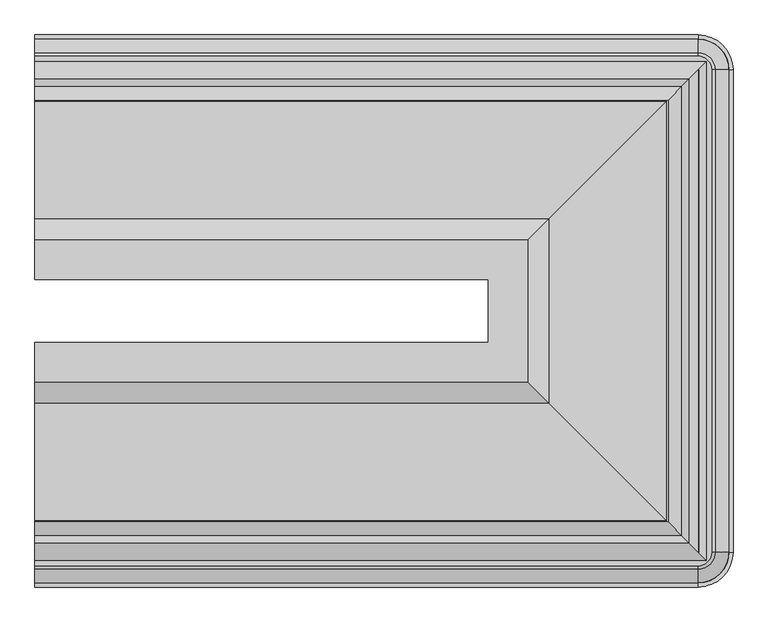
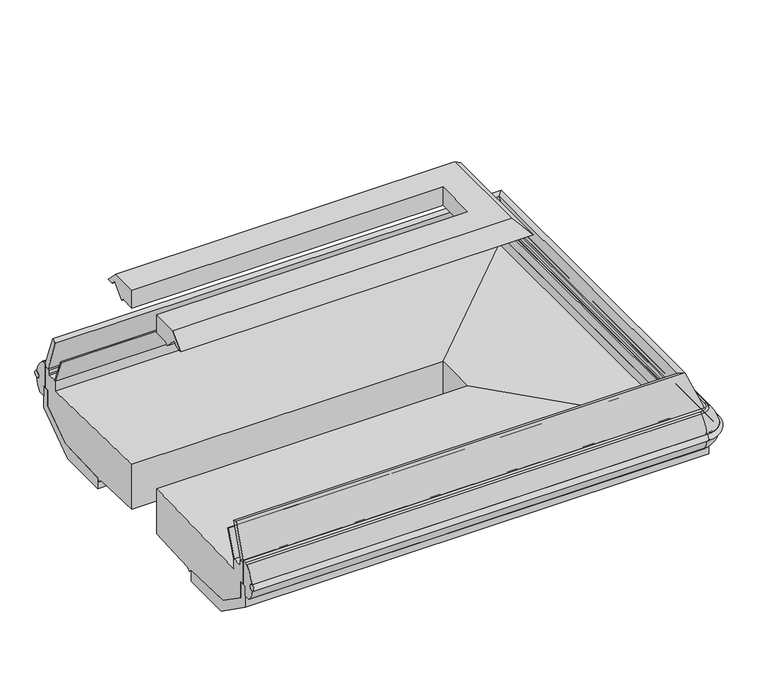
"""IFC4 building model written with IfcOpenShell, lengths in millimetres: proxy geometry."""

from ifc_helpers import new_model, si_unit, point, frame, origin, place, context, project, spatial, polyline, circle_curve, ellipse_curve, trimmed, faceted_brep, source, transform, mapped, element, save
from ifc_brep_helpers import plane_surface, cylinder_surface, revolved_surface, advanced_brep


def mechanical_equipment_02b35f1a(model_context):
    return source(origin(), model_context, "Body", "SolidModel", [
        faceted_brep([(0.0, -2277.0732774, 664.6065482), (0.0, -2211.345982, 845.190808), (0.0, -2185.9860274, 835.9605394), (0.0, -2253.2454931, 651.1666761), (0.0, -2277.0732774, 651.1666761), (0.0, -446.5909772, 664.6065482), (0.0, -446.5909772, 651.1666761), (0.0, -470.4187615, 651.1666761), (0.0, -537.6782272, 835.9605394), (0.0, -512.3182726, 845.190808), (2395.7388547, -2211.345982, 845.190808), (2461.4661501, -2277.0732774, 664.6065482), (2461.4661501, -446.5909772, 664.6065482), (2395.7388547, -512.3182726, 845.190808), (2370.3789001, -2185.9860274, 835.9605394), (2370.3789001, -537.6782272, 835.9605394), (2437.6383658, -2253.2454931, 651.1666761), (2437.6383658, -470.4187615, 651.1666761), (2461.4661501, -2277.0732774, 651.1666761), (2461.4661501, -446.5909772, 651.1666761)], [[[0, 1, 2, 3, 4]], [[5, 6, 7, 8, 9]], [[10, 11, 12, 13]], [[14, 10, 13, 15]], [[16, 14, 15, 17]], [[11, 18, 19, 12]], [[13, 12, 5, 9]], [[15, 13, 9, 8]], [[17, 15, 8, 7]], [[12, 19, 6, 5]], [[1, 0, 11, 10]], [[2, 1, 10, 14]], [[3, 2, 14, 16]], [[4, 3, 16, 17, 7, 6, 19, 18]], [[0, 4, 18, 11]]]),
        advanced_brep(
        [(0.0, -2131.5869703, 759.9375159), (0.0, -2187.9511755, 620.9098146), (0.0, -2193.0901823, 620.9098146), (0.0, -2136.0005481, 761.7268557), (0.0, -592.0772843, 759.9375159), (0.0, -587.6637065, 761.7268557), (0.0, -530.5740723, 620.9098146), (0.0, -535.7130791, 620.9098146), (2372.3440482, -2187.9511755, 620.9098146), (2315.979843, -2131.5869703, 759.9375159), (2315.979843, -592.0772843, 759.9375159), (2372.3440482, -535.7130791, 620.9098146), (2320.3934208, -2136.0005481, 761.7268557), (2377.483055, -2193.0901823, 620.9098146), (2377.483055, -530.5740723, 620.9098146), (2320.3934208, -587.6637065, 761.7268557)],
        [
            (0, 1),
            (1, 2),
            (2, 3),
            (3, 0, circle_curve(frame((0.0, -2133.7937592, 760.8321858), z_axis=(-1.0, 0.0, 0.0), x_axis=(0.0, 1.0, 0.0)), 2.38125)),
            (4, 5, circle_curve(frame((0.0, -589.8704954, 760.8321858), z_axis=(-1.0, 0.0, 0.0), x_axis=(0.0, -1.0, 0.0)), 2.38125)),
            (5, 6),
            (6, 7),
            (7, 4),
            (8, 9),
            (9, 10),
            (10, 11),
            (11, 8),
            (12, 13),
            (13, 14),
            (14, 15),
            (15, 12),
            (9, 12, ellipse_curve(frame((2318.1866319, -2133.7937592, 760.8321858), z_axis=(0.7071067811865475, 0.7071067811865475, 0.0), x_axis=(0.7071067811865474, -0.7071067811865476, 0.0)), 3.367596, 2.38125)),
            (15, 10, ellipse_curve(frame((2318.1866319, -589.8704954, 760.8321858), z_axis=(0.7071067811865475, -0.7071067811865475, 0.0), x_axis=(-0.7071067811865474, -0.7071067811865476, 0.0)), 3.367596, 2.38125)),
            (10, 4),
            (7, 11),
            (14, 6),
            (5, 15),
            (0, 9),
            (8, 1),
            (13, 2),
            (12, 3),
        ],
        [
            plane_surface(frame((0.0, -2374.6571273, 0.0), z_axis=(-1.0, 0.0, 0.0), x_axis=(0.0, 0.0, 1.0))),
            plane_surface(frame((0.0, -349.0071273, 0.0), z_axis=(-1.0, 0.0, 0.0), x_axis=(0.0, 0.0, 1.0))),
            plane_surface(frame((2315.979843, -2131.5869703, 759.9375159), z_axis=(-0.9267354998634747, 0.0, -0.3757144038931643), x_axis=(0.0, 1.0, 0.0))),
            plane_surface(frame((2377.483055, -2193.0901823, 620.9098146), z_axis=(0.9267354998635949, 0.0, 0.3757144038928678), x_axis=(0.0, 1.0, 0.0))),
            cylinder_surface(frame((2318.1866319, -2374.6571273, 760.8321858), z_axis=(0.0, -1.0, 0.0), x_axis=(-1.0, 0.0, 0.0)), 2.38125),
            plane_surface(frame((2315.979843, -592.0772843, 759.9375159), z_axis=(0.0, -0.9267354998634747, -0.3757144038931643), x_axis=(-1.0, 0.0, 0.0))),
            plane_surface(frame((2377.483055, -530.5740723, 620.9098146), z_axis=(0.0, 0.9267354998635949, 0.3757144038928678), x_axis=(-1.0, 0.0, 0.0))),
            cylinder_surface(frame((2559.05, -589.8704954, 760.8321858), z_axis=(1.0, 0.0, 0.0), x_axis=(0.0, -1.0, 0.0)), 2.38125),
            plane_surface(frame((0.0, -2131.5869703, 759.9375159), z_axis=(0.0, 0.9267354998634747, -0.3757144038931643), x_axis=(1.0, 0.0, 0.0))),
            plane_surface(frame((0.0, -2187.9511755, 620.9098146), z_axis=(0.0, 0.0, -1.0), x_axis=(1.0, 0.0, 0.0))),
            plane_surface(frame((0.0, -2193.0901823, 620.9098146), z_axis=(0.0, -0.9267354998635949, 0.3757144038928678), x_axis=(1.0, 0.0, 0.0))),
            cylinder_surface(frame((0.0, -2133.7937592, 760.8321858), z_axis=(-1.0, 0.0, 0.0), x_axis=(0.0, 1.0, 0.0)), 2.38125),
        ],
        [
            (0, [[1, 2, 3, 4]]),
            (1, [[5, 6, 7, 8]]),
            (2, [[9, 10, 11, 12]]),
            (3, [[13, 14, 15, 16]]),
            (4, [[17, -16, 18, -10]]),
            (5, [[-11, 19, -8, 20]]),
            (6, [[-15, 21, -6, 22]]),
            (7, [[-18, -22, -5, -19]]),
            (8, [[-1, 23, -9, 24]]),
            (9, [[-2, -24, -12, -20, -7, -21, -14, 25]]),
            (10, [[-3, -25, -13, 26]]),
            (11, [[-4, -26, -17, -23]]),
        ],
    ),
        faceted_brep([(0.0, -1476.8941211, 1464.3028067), (0.0, -1557.7189821, 1464.3028067), (0.0, -1572.3443893, 1450.2262468), (0.0, -1636.0576803, 1516.2032911), (0.0, -1659.0570842, 1493.2038873), (0.0, -1698.2672655, 1493.2038873), (0.0, -1624.6086527, 1566.8625), (0.0, -1476.8941211, 1566.8625), (0.0, -1246.7701335, 1464.3028067), (0.0, -1246.7701335, 1566.8625), (0.0, -1099.0556019, 1566.8625), (0.0, -1025.3969891, 1493.2038873), (0.0, -1064.6071704, 1493.2038873), (0.0, -1087.6065743, 1516.2032911), (0.0, -1151.3198653, 1450.2262468), (0.0, -1165.9452725, 1464.3028067), (1756.737262, -1572.3443893, 1450.2262468), (1742.1118548, -1557.7189821, 1464.3028067), (1742.1118548, -1165.9452725, 1464.3028067), (1756.737262, -1151.3198653, 1450.2262468), (1820.450553, -1636.0576803, 1516.2032911), (1820.450553, -1087.6065743, 1516.2032911), (1843.4499569, -1659.0570842, 1493.2038873), (1843.4499569, -1064.6071704, 1493.2038873), (1809.0015254, -1624.6086527, 1566.8625), (1882.6601382, -1698.2672655, 1493.2038873), (1882.6601382, -1025.3969891, 1493.2038873), (1809.0015254, -1099.0556019, 1566.8625), (1661.2869938, -1476.8941211, 1464.3028067), (1661.2869938, -1476.8941211, 1566.8625), (1661.2869938, -1246.7701335, 1566.8625), (1661.2869938, -1246.7701335, 1464.3028067)], [[[0, 1, 2, 3, 4, 5, 6, 7]], [[8, 9, 10, 11, 12, 13, 14, 15]], [[16, 17, 18, 19]], [[20, 16, 19, 21]], [[22, 20, 21, 23]], [[24, 25, 26, 27]], [[28, 29, 30, 31]], [[19, 18, 15, 14]], [[21, 19, 14, 13]], [[23, 21, 13, 12]], [[27, 26, 11, 10]], [[31, 30, 9, 8]], [[1, 0, 28, 31, 8, 15, 18, 17]], [[2, 1, 17, 16]], [[3, 2, 16, 20]], [[4, 3, 20, 22]], [[5, 4, 22, 23, 12, 11, 26, 25]], [[6, 5, 25, 24]], [[7, 6, 24, 27, 10, 9, 30, 29]], [[0, 7, 29, 28]]]),
        advanced_brep(
        [(0.0, -2187.9511755, 564.6206228), (0.0, -1476.8941211, 583.240307), (0.0, -1476.8941211, 330.5006237), (0.0, -1763.1110468, 315.9996591), (0.0, -1778.1929526, 301.7115379), (0.0, -1793.2737198, 315.9985806), (0.0, -2091.4445063, 326.7908623), (0.0, -2254.2926353, 440.8183498), (0.0, -2254.2926353, 529.6852408), (0.0, -2277.0732774, 529.6852408), (0.0, -2277.0732774, 651.1666761), (0.0, -2251.8223149, 651.1666761), (0.0, -2247.771404, 646.4576372), (0.0, -2247.6800766, 625.4643319), (0.0, -2240.6602639, 622.6991544), (0.0, -2187.9511755, 622.6991544), (0.0, -535.7130791, 564.6206228), (0.0, -535.7130791, 622.6991544), (0.0, -483.0039907, 622.6991544), (0.0, -475.984178, 625.4643319), (0.0, -475.8928506, 646.4576372), (0.0, -471.8419397, 651.1666761), (0.0, -446.5909772, 651.1666761), (0.0, -446.5909772, 529.6852408), (0.0, -469.3716193, 529.6852408), (0.0, -469.3716193, 440.8183498), (0.0, -632.2197483, 326.7908623), (0.0, -930.3905348, 315.9985806), (0.0, -945.471302, 301.7115379), (0.0, -960.5532078, 315.9996591), (0.0, -1246.7701335, 330.5006237), (0.0, -1246.7701335, 583.240307), (1661.2869938, -1476.8941211, 583.240307), (2372.3440482, -2187.9511755, 564.6206228), (2372.3440482, -535.7130791, 564.6206228), (1661.2869938, -1246.7701335, 583.240307), (1661.2869938, -1476.8941211, 330.5006237), (1661.2869938, -1246.7701335, 330.5006237), (1947.5039195, -1763.1110468, 315.9996591), (1947.5039195, -960.5532078, 315.9996591), (1962.5858253, -1778.1929526, 301.7115379), (1962.5858253, -945.471302, 301.7115379), (1977.6665925, -1793.2737198, 315.9985806), (1977.6665925, -930.3905348, 315.9985806), (2275.837379, -2091.4445063, 326.7908623), (2275.837379, -632.2197483, 326.7908623), (2438.685508, -2254.2926353, 440.8183498), (2438.685508, -469.3716193, 440.8183498), (2438.685508, -2254.2926353, 529.6852408), (2438.685508, -469.3716193, 529.6852408), (2461.4661501, -2277.0732774, 651.1666761), (2461.4661501, -2277.0732774, 529.6852408), (2461.4661501, -446.5909772, 529.6852408), (2461.4661501, -446.5909772, 651.1666761), (2432.1642767, -2247.771404, 646.4576372), (2436.2151876, -2251.8223149, 651.1666761), (2436.2151876, -471.8419397, 651.1666761), (2432.1642767, -475.8928506, 646.4576372), (2432.0729493, -2247.6800766, 625.4643319), (2432.0729493, -475.984178, 625.4643319), (2425.0531366, -2240.6602639, 622.6991544), (2425.0531366, -483.0039907, 622.6991544), (2372.3440482, -2187.9511755, 622.6991544), (2372.3440482, -535.7130791, 622.6991544)],
        [
            (0, 1),
            (1, 2),
            (2, 3),
            (3, 4),
            (4, 5),
            (5, 6),
            (6, 7),
            (7, 8),
            (8, 9),
            (9, 10),
            (10, 11),
            (11, 12, circle_curve(frame((0.0, -2252.533904, 646.4576372), z_axis=(-1.0, 0.0, 0.0), x_axis=(0.0, 1.0, 0.0)), 4.7625)),
            (12, 13),
            (13, 14),
            (14, 15),
            (15, 0),
            (16, 17),
            (17, 18),
            (18, 19),
            (19, 20),
            (20, 21, circle_curve(frame((0.0, -471.1303506, 646.4576372), z_axis=(-1.0, 0.0, 0.0), x_axis=(0.0, -1.0, 0.0)), 4.7625)),
            (21, 22),
            (22, 23),
            (23, 24),
            (24, 25),
            (25, 26),
            (26, 27),
            (27, 28),
            (28, 29),
            (29, 30),
            (30, 31),
            (31, 16),
            (32, 33),
            (33, 34),
            (34, 35),
            (35, 32),
            (36, 32),
            (35, 37),
            (37, 36),
            (38, 36),
            (37, 39),
            (39, 38),
            (40, 38),
            (39, 41),
            (41, 40),
            (42, 40),
            (41, 43),
            (43, 42),
            (44, 42),
            (43, 45),
            (45, 44),
            (46, 44),
            (45, 47),
            (47, 46),
            (48, 46),
            (47, 49),
            (49, 48),
            (50, 51),
            (51, 52),
            (52, 53),
            (53, 50),
            (54, 55, ellipse_curve(frame((2436.9267767, -2252.533904, 646.4576372), z_axis=(0.7071067811865475, 0.7071067811865475, 0.0), x_axis=(0.7071067811865474, -0.7071067811865476, 0.0)), 6.7351921, 4.7625)),
            (55, 56),
            (56, 57, ellipse_curve(frame((2436.9267767, -471.1303506, 646.4576372), z_axis=(0.7071067811865475, -0.7071067811865475, 0.0), x_axis=(-0.7071067811865474, -0.7071067811865476, 0.0)), 6.7351921, 4.7625)),
            (57, 54),
            (58, 54),
            (57, 59),
            (59, 58),
            (60, 58),
            (59, 61),
            (61, 60),
            (33, 62),
            (62, 63),
            (63, 34),
            (34, 16),
            (31, 35),
            (30, 37),
            (29, 39),
            (28, 41),
            (27, 43),
            (26, 45),
            (25, 47),
            (24, 49),
            (52, 23),
            (22, 53),
            (56, 21),
            (20, 57),
            (19, 59),
            (18, 61),
            (63, 17),
            (0, 33),
            (32, 1),
            (36, 2),
            (38, 3),
            (40, 4),
            (42, 5),
            (44, 6),
            (46, 7),
            (48, 8),
            (51, 9),
            (50, 10),
            (55, 11),
            (54, 12),
            (58, 13),
            (60, 14),
            (62, 15),
        ],
        [
            plane_surface(frame((0.0, -2374.6571273, 0.0), z_axis=(-1.0, 0.0, 0.0), x_axis=(0.0, 0.0, 1.0))),
            plane_surface(frame((0.0, -349.0071273, 0.0), z_axis=(-1.0, 0.0, 0.0), x_axis=(0.0, 0.0, 1.0))),
            plane_surface(frame((2372.3440482, -2187.9511755, 564.6206228), z_axis=(0.0261769483079519, 0.0, 0.9996573249755553), x_axis=(0.0, 1.0, 0.0))),
            plane_surface(frame((1661.2869938, -1476.8941211, 583.240307), z_axis=(-1.0, 0.0, 0.0), x_axis=(0.0, 1.0, 0.0))),
            plane_surface(frame((1661.2869938, -1476.8941211, 330.5006237), z_axis=(-0.05059934604185503, 0.0, -0.9987190326513943), x_axis=(0.0, 1.0, 0.0))),
            plane_surface(frame((1947.5039195, -1763.1110468, 315.9996591), z_axis=(-0.6877446479107929, 0.0, -0.7259526839058175), x_axis=(0.0, 1.0, 0.0))),
            plane_surface(frame((1962.5858253, -1778.1929526, 301.7115379), z_axis=(0.687744647910848, 0.0, -0.7259526839057651), x_axis=(0.0, 1.0, 0.0))),
            plane_surface(frame((1977.6665925, -1793.2737198, 315.9985806), z_axis=(0.036171280996440035, 0.0, -0.9993456050991952), x_axis=(0.0, 1.0, 0.0))),
            plane_surface(frame((2275.837379, -2091.4445063, 326.7908623), z_axis=(0.5735764363510384, 0.0, -0.8191520442889972), x_axis=(0.0, 1.0, 0.0))),
            plane_surface(frame((2438.685508, -2254.2926353, 440.8183498), z_axis=(1.0, 0.0, 0.0), x_axis=(0.0, 1.0, 0.0))),
            plane_surface(frame((2461.4661501, -2277.0732774, 529.6852408), z_axis=(1.0, 0.0, 0.0), x_axis=(0.0, 1.0, 0.0))),
            cylinder_surface(frame((2436.9267767, -2374.6571273, 646.4576372), z_axis=(0.0, -1.0, 0.0), x_axis=(-1.0, 0.0, 0.0)), 4.7625),
            plane_surface(frame((2432.1642767, -2247.771404, 646.4576372), z_axis=(-0.9999905375281688, 0.0, 0.004350270580584213), x_axis=(0.0, 1.0, 0.0))),
            plane_surface(frame((2432.0729493, -2247.6800766, 625.4643319), z_axis=(-0.3665011927547342, 0.0, 0.9304175813629906), x_axis=(0.0, 1.0, 0.0))),
            plane_surface(frame((2372.3440482, -2187.9511755, 622.6991544), z_axis=(-1.0, 0.0, 0.0), x_axis=(0.0, 1.0, 0.0))),
            plane_surface(frame((2372.3440482, -535.7130791, 564.6206228), z_axis=(0.0, 0.0261769483079519, 0.9996573249755553), x_axis=(-1.0, 0.0, 0.0))),
            plane_surface(frame((1661.2869938, -1246.7701335, 583.240307), z_axis=(0.0, -1.0, 0.0), x_axis=(-1.0, 0.0, 0.0))),
            plane_surface(frame((1661.2869938, -1246.7701335, 330.5006237), z_axis=(0.0, -0.05059934604185503, -0.9987190326513943), x_axis=(-1.0, 0.0, 0.0))),
            plane_surface(frame((1947.5039195, -960.5532078, 315.9996591), z_axis=(0.0, -0.6877446479107929, -0.7259526839058175), x_axis=(-1.0, 0.0, 0.0))),
            plane_surface(frame((1962.5858253, -945.471302, 301.7115379), z_axis=(0.0, 0.687744647910848, -0.7259526839057651), x_axis=(-1.0, 0.0, 0.0))),
            plane_surface(frame((1977.6665925, -930.3905348, 315.9985806), z_axis=(0.0, 0.036171280996440035, -0.9993456050991952), x_axis=(-1.0, 0.0, 0.0))),
            plane_surface(frame((2275.837379, -632.2197483, 326.7908623), z_axis=(0.0, 0.5735764363510384, -0.8191520442889972), x_axis=(-1.0, 0.0, 0.0))),
            plane_surface(frame((2438.685508, -469.3716193, 440.8183498), z_axis=(0.0, 1.0, 0.0), x_axis=(-1.0, 0.0, 0.0))),
            plane_surface(frame((2461.4661501, -446.5909772, 529.6852408), z_axis=(0.0, 1.0, 0.0), x_axis=(-1.0, 0.0, 0.0))),
            cylinder_surface(frame((2559.05, -471.1303506, 646.4576372), z_axis=(1.0, 0.0, 0.0), x_axis=(0.0, -1.0, 0.0)), 4.7625),
            plane_surface(frame((2432.1642767, -475.8928506, 646.4576372), z_axis=(0.0, -0.9999905375281688, 0.004350270580584213), x_axis=(-1.0, 0.0, 0.0))),
            plane_surface(frame((2432.0729493, -475.984178, 625.4643319), z_axis=(0.0, -0.3665011927547342, 0.9304175813629906), x_axis=(-1.0, 0.0, 0.0))),
            plane_surface(frame((2372.3440482, -535.7130791, 622.6991544), z_axis=(0.0, -1.0, 0.0), x_axis=(-1.0, 0.0, 0.0))),
            plane_surface(frame((0.0, -2187.9511755, 564.6206228), z_axis=(0.0, -0.0261769483079519, 0.9996573249755553), x_axis=(1.0, 0.0, 0.0))),
            plane_surface(frame((0.0, -1476.8941211, 583.240307), z_axis=(0.0, 1.0, 0.0), x_axis=(1.0, 0.0, 0.0))),
            plane_surface(frame((0.0, -1476.8941211, 330.5006237), z_axis=(0.0, 0.05059934604185503, -0.9987190326513943), x_axis=(1.0, 0.0, 0.0))),
            plane_surface(frame((0.0, -1763.1110468, 315.9996591), z_axis=(0.0, 0.6877446479107929, -0.7259526839058175), x_axis=(1.0, 0.0, 0.0))),
            plane_surface(frame((0.0, -1778.1929526, 301.7115379), z_axis=(0.0, -0.687744647910848, -0.7259526839057651), x_axis=(1.0, 0.0, 0.0))),
            plane_surface(frame((0.0, -1793.2737198, 315.9985806), z_axis=(0.0, -0.036171280996440035, -0.9993456050991952), x_axis=(1.0, 0.0, 0.0))),
            plane_surface(frame((0.0, -2091.4445063, 326.7908623), z_axis=(0.0, -0.5735764363510384, -0.8191520442889972), x_axis=(1.0, 0.0, 0.0))),
            plane_surface(frame((0.0, -2254.2926353, 440.8183498), z_axis=(0.0, -1.0, 0.0), x_axis=(1.0, 0.0, 0.0))),
            plane_surface(frame((0.0, -2254.2926353, 529.6852408), z_axis=(0.0, 0.0, -1.0), x_axis=(1.0, 0.0, 0.0))),
            plane_surface(frame((0.0, -2277.0732774, 529.6852408), z_axis=(0.0, -1.0, 0.0), x_axis=(1.0, 0.0, 0.0))),
            plane_surface(frame((0.0, -2277.0732774, 651.1666761), z_axis=(0.0, 0.0, 1.0), x_axis=(1.0, 0.0, 0.0))),
            cylinder_surface(frame((0.0, -2252.533904, 646.4576372), z_axis=(-1.0, 0.0, 0.0), x_axis=(0.0, 1.0, 0.0)), 4.7625),
            plane_surface(frame((0.0, -2247.771404, 646.4576372), z_axis=(0.0, 0.9999905375281688, 0.004350270580584213), x_axis=(1.0, 0.0, 0.0))),
            plane_surface(frame((0.0, -2247.6800766, 625.4643319), z_axis=(0.0, 0.3665011927547342, 0.9304175813629906), x_axis=(1.0, 0.0, 0.0))),
            plane_surface(frame((0.0, -2240.6602639, 622.6991544), z_axis=(0.0, 0.0, 1.0), x_axis=(1.0, 0.0, 0.0))),
            plane_surface(frame((0.0, -2187.9511755, 622.6991544), z_axis=(0.0, 1.0, 0.0), x_axis=(1.0, 0.0, 0.0))),
        ],
        [
            (0, [[1, 2, 3, 4, 5, 6, 7, 8, 9, 10, 11, 12, 13, 14, 15, 16]]),
            (1, [[17, 18, 19, 20, 21, 22, 23, 24, 25, 26, 27, 28, 29, 30, 31, 32]]),
            (2, [[33, 34, 35, 36]]),
            (3, [[37, -36, 38, 39]]),
            (4, [[40, -39, 41, 42]]),
            (5, [[43, -42, 44, 45]]),
            (6, [[46, -45, 47, 48]]),
            (7, [[49, -48, 50, 51]]),
            (8, [[52, -51, 53, 54]]),
            (9, [[55, -54, 56, 57]]),
            (10, [[58, 59, 60, 61]]),
            (11, [[62, 63, 64, 65]]),
            (12, [[66, -65, 67, 68]]),
            (13, [[69, -68, 70, 71]]),
            (14, [[72, 73, 74, -34]]),
            (15, [[-35, 75, -32, 76]]),
            (16, [[-38, -76, -31, 77]]),
            (17, [[-41, -77, -30, 78]]),
            (18, [[-44, -78, -29, 79]]),
            (19, [[-47, -79, -28, 80]]),
            (20, [[-50, -80, -27, 81]]),
            (21, [[-53, -81, -26, 82]]),
            (22, [[-56, -82, -25, 83]]),
            (23, [[-60, 84, -23, 85]]),
            (24, [[-64, 86, -21, 87]]),
            (25, [[-67, -87, -20, 88]]),
            (26, [[-70, -88, -19, 89]]),
            (27, [[-74, 90, -17, -75]]),
            (28, [[-1, 91, -33, 92]]),
            (29, [[-2, -92, -37, 93]]),
            (30, [[-3, -93, -40, 94]]),
            (31, [[-4, -94, -43, 95]]),
            (32, [[-5, -95, -46, 96]]),
            (33, [[-6, -96, -49, 97]]),
            (34, [[-7, -97, -52, 98]]),
            (35, [[-8, -98, -55, 99]]),
            (36, [[-9, -99, -57, -83, -24, -84, -59, 100]]),
            (37, [[-10, -100, -58, 101]]),
            (38, [[-11, -101, -61, -85, -22, -86, -63, 102]]),
            (39, [[-12, -102, -62, 103]]),
            (40, [[-13, -103, -66, 104]]),
            (41, [[-14, -104, -69, 105]]),
            (42, [[-15, -105, -71, -89, -18, -90, -73, 106]]),
            (43, [[-16, -106, -72, -91]]),
        ],
    ),
        advanced_brep(
        [(0.0, -363.9201502, 541.7869334), (0.0, -364.5762737, 576.4502877), (0.0, -2359.7441044, 541.7869334), (0.0, -2359.0879809, 576.4502877), (2430.5127227, -363.9201502, 541.7869334), (2430.5127227, -364.5762737, 576.4502877), (2543.4808536, -477.5444046, 576.4502877), (2544.1369771, -477.5444046, 541.7869334), (2544.1369771, -2246.11985, 541.7869334), (2543.4808536, -2246.11985, 576.4502877), (2430.5127227, -2359.0879809, 576.4502877), (2430.5127227, -2359.7441044, 541.7869334)],
        [
            (0, 1, circle_curve(frame((0.0, -366.6103656, 559.0738987), z_axis=(-1.0, 0.0, 0.0), x_axis=(0.0, 1.0, 0.0)), 17.49504)),
            (1, 0, circle_curve(frame((0.0, -366.6103656, 559.0738987), z_axis=(-1.0, 0.0, 0.0), x_axis=(0.0, 1.0, 0.0)), 17.49504)),
            (2, 3, circle_curve(frame((0.0, -2357.053889, 559.0738987), z_axis=(-1.0, 0.0, 0.0), x_axis=(0.0, -1.0, 0.0)), 17.49504)),
            (3, 2, circle_curve(frame((0.0, -2357.053889, 559.0738987), z_axis=(-1.0, 0.0, 0.0), x_axis=(0.0, -1.0, 0.0)), 17.49504)),
            (0, 4),
            (4, 5, circle_curve(frame((2430.5127227, -366.6103656, 559.0738987), z_axis=(-1.0, 0.0, 0.0), x_axis=(0.0, 1.0, 0.0)), 17.49504)),
            (5, 1),
            (5, 4, circle_curve(frame((2430.5127227, -366.6103656, 559.0738987), z_axis=(-1.0, 0.0, 0.0), x_axis=(0.0, 1.0, 0.0)), 17.49504)),
            (6, 5, circle_curve(frame((2430.5127227, -477.5444046, 576.4502877), z_axis=(0.0, 0.0, 1.0), x_axis=(0.0, 1.0, 0.0)), 112.9681309)),
            (4, 7, circle_curve(frame((2430.5127227, -477.5444046, 541.7869334), z_axis=(0.0, 0.0, -1.0), x_axis=(0.0, 1.0, 0.0)), 113.6242544)),
            (7, 6, circle_curve(frame((2541.4467617, -477.5444046, 559.0738987), z_axis=(0.0, 1.0, 0.0), x_axis=(1.0, 0.0, 0.0)), 17.49504)),
            (6, 7, circle_curve(frame((2541.4467617, -477.5444046, 559.0738987), z_axis=(0.0, 1.0, 0.0), x_axis=(1.0, 0.0, 0.0)), 17.49504)),
            (7, 8),
            (8, 9, circle_curve(frame((2541.4467617, -2246.11985, 559.0738987), z_axis=(0.0, 1.0, 0.0), x_axis=(1.0, 0.0, 0.0)), 17.49504)),
            (9, 6),
            (9, 8, circle_curve(frame((2541.4467617, -2246.11985, 559.0738987), z_axis=(0.0, 1.0, 0.0), x_axis=(1.0, 0.0, 0.0)), 17.49504)),
            (10, 9, circle_curve(frame((2430.5127227, -2246.11985, 576.4502877), z_axis=(0.0, 0.0, 1.0), x_axis=(1.0, 0.0, 0.0)), 112.9681309)),
            (8, 11, circle_curve(frame((2430.5127227, -2246.11985, 541.7869334), z_axis=(0.0, 0.0, -1.0), x_axis=(1.0, 0.0, 0.0)), 113.6242544)),
            (11, 10, circle_curve(frame((2430.5127227, -2357.053889, 559.0738987), z_axis=(1.0, 0.0, 0.0), x_axis=(0.0, -1.0, 0.0)), 17.49504)),
            (10, 11, circle_curve(frame((2430.5127227, -2357.053889, 559.0738987), z_axis=(1.0, 0.0, 0.0), x_axis=(0.0, -1.0, 0.0)), 17.49504)),
            (11, 2),
            (3, 10),
        ],
        [
            plane_surface(frame((0.0, -401.3444046, 0.0), z_axis=(-1.0, 0.0, 0.0), x_axis=(0.0, 0.0, 1.0))),
            plane_surface(frame((0.0, -2322.31985, 0.0), z_axis=(-1.0, 0.0, 0.0), x_axis=(0.0, 0.0, 1.0))),
            cylinder_surface(frame((0.0, -366.6103656, 559.0738987), z_axis=(-1.0, 0.0, 0.0), x_axis=(0.0, 1.0, 0.0)), 17.49504),
            revolved_surface(trimmed(ellipse_curve(frame((2430.5127227, -366.6103656, 559.0738987), z_axis=(-1.0, 0.0, 0.0), x_axis=(0.0, 1.0, 0.0)), 17.49504, 17.49504), [point((2430.5127227, -363.9201502, 541.7869334))], [point((2430.5127227, -364.5762737, 576.4502877))], True, "CARTESIAN"), (2430.5127227, -477.5444046, 0.0), (0.0, 0.0, -1.0)),
            revolved_surface(trimmed(ellipse_curve(frame((2430.5127227, -366.6103656, 559.0738987), z_axis=(-1.0, 0.0, 0.0), x_axis=(0.0, 1.0, 0.0)), 17.49504, 17.49504), [point((2430.5127227, -364.5762737, 576.4502877))], [point((2430.5127227, -363.9201502, 541.7869334))], True, "CARTESIAN"), (2430.5127227, -477.5444046, 0.0), (0.0, 0.0, -1.0)),
            cylinder_surface(frame((2541.4467617, -477.5444046, 559.0738987), z_axis=(0.0, 1.0, 0.0), x_axis=(1.0, 0.0, 0.0)), 17.49504),
            revolved_surface(trimmed(ellipse_curve(frame((2541.4467617, -2246.11985, 559.0738987), z_axis=(0.0, 1.0, 0.0), x_axis=(1.0, 0.0, 0.0)), 17.49504, 17.49504), [point((2544.1369771, -2246.11985, 541.7869334))], [point((2543.4808536, -2246.11985, 576.4502877))], True, "CARTESIAN"), (2430.5127227, -2246.11985, 0.0), (0.0, 0.0, -1.0)),
            revolved_surface(trimmed(ellipse_curve(frame((2541.4467617, -2246.11985, 559.0738987), z_axis=(0.0, 1.0, 0.0), x_axis=(1.0, 0.0, 0.0)), 17.49504, 17.49504), [point((2543.4808536, -2246.11985, 576.4502877))], [point((2544.1369771, -2246.11985, 541.7869334))], True, "CARTESIAN"), (2430.5127227, -2246.11985, 0.0), (0.0, 0.0, -1.0)),
            cylinder_surface(frame((2430.5127227, -2357.053889, 559.0738987), z_axis=(1.0, 0.0, 0.0), x_axis=(0.0, -1.0, 0.0)), 17.49504),
        ],
        [
            (0, [[1, 2]]),
            (1, [[3, 4]]),
            (2, [[-1, 5, 6, 7]]),
            (2, [[-2, -7, 8, -5]]),
            (3, [[9, -6, 10, 11]]),
            (4, [[-10, -8, -9, 12]]),
            (5, [[-11, 13, 14, 15]]),
            (5, [[-12, -15, 16, -13]]),
            (6, [[17, -14, 18, 19]]),
            (7, [[-18, -16, -17, 20]]),
            (8, [[-19, 21, -4, 22]]),
            (8, [[-20, -22, -3, -21]]),
        ],
    ),
        advanced_brep(
        [(0.0, -2308.2910007, 660.3792394), (0.0, -2297.5045779, 664.6065482), (0.0, -2277.0732774, 664.6065482), (0.0, -2277.0732774, 529.6852408), (0.0, -2292.6339353, 529.6852408), (0.0, -2292.6339353, 475.7067482), (0.0, -2324.809578, 475.7067482), (0.0, -2329.5709034, 477.8552864), (0.0, -2359.7441044, 541.7869334), (0.0, -2359.0879809, 576.4502877), (0.0, -415.3732539, 660.3792394), (0.0, -364.5762737, 576.4502877), (0.0, -363.9201502, 541.7869334), (0.0, -394.0933512, 477.8552864), (0.0, -398.8546766, 475.7067482), (0.0, -431.0303193, 475.7067482), (0.0, -431.0303193, 529.6852408), (0.0, -446.5909772, 529.6852408), (0.0, -446.5909772, 664.6065482), (0.0, -426.1596766, 664.6065482), (2481.8974506, -2246.11985, 664.6065482), (2430.5127227, -2297.5045779, 664.6065482), (2430.5127227, -2308.2910007, 660.3792394), (2492.6838734, -2246.11985, 660.3792394), (2461.4661501, -2246.11985, 529.6852408), (2430.5127227, -2277.0732774, 529.6852408), (2430.5127227, -2277.0732774, 664.6065482), (2461.4661501, -2246.11985, 664.6065482), (2477.026808, -2246.11985, 475.7067482), (2430.5127227, -2292.6339353, 475.7067482), (2430.5127227, -2292.6339353, 529.6852408), (2477.026808, -2246.11985, 529.6852408), (2513.9637761, -2246.11985, 477.8552864), (2430.5127227, -2329.5709034, 477.8552864), (2430.5127227, -2324.809578, 475.7067482), (2509.2024507, -2246.11985, 475.7067482), (2544.1369771, -2246.11985, 541.7869334), (2430.5127227, -2359.7441044, 541.7869334), (2543.4808536, -2246.11985, 576.4502877), (2430.5127227, -2359.0879809, 576.4502877), (2492.6838734, -477.5444046, 660.3792394), (2481.8974506, -477.5444046, 664.6065482), (2461.4661501, -477.5444046, 664.6065482), (2461.4661501, -477.5444046, 529.6852408), (2477.026808, -477.5444046, 529.6852408), (2477.026808, -477.5444046, 475.7067482), (2509.2024507, -477.5444046, 475.7067482), (2513.9637761, -477.5444046, 477.8552864), (2544.1369771, -477.5444046, 541.7869334), (2543.4808536, -477.5444046, 576.4502877), (2430.5127227, -426.1596766, 664.6065482), (2430.5127227, -415.3732539, 660.3792394), (2430.5127227, -446.5909772, 529.6852408), (2430.5127227, -446.5909772, 664.6065482), (2430.5127227, -431.0303193, 475.7067482), (2430.5127227, -431.0303193, 529.6852408), (2430.5127227, -394.0933512, 477.8552864), (2430.5127227, -398.8546766, 475.7067482), (2430.5127227, -363.9201502, 541.7869334), (2430.5127227, -364.5762737, 576.4502877)],
        [
            (0, 1, circle_curve(frame((0.0, -2297.5045779, 648.7315482), z_axis=(-1.0, 0.0, 0.0), x_axis=(0.0, 1.0, 0.0)), 15.875)),
            (1, 2),
            (2, 3),
            (3, 4),
            (4, 5),
            (5, 6),
            (6, 7, circle_curve(frame((0.0, -2324.809578, 482.0567481), z_axis=(-1.0, 0.0, 0.0), x_axis=(0.0, 1.0, 0.0)), 6.35)),
            (7, 8, circle_curve(frame((0.0, -2234.3443955, 561.8845207), z_axis=(-1.0, 0.0, 0.0), x_axis=(0.0, 1.0, 0.0)), 127.0)),
            (8, 9, circle_curve(frame((0.0, -2357.053889, 559.0738987), z_axis=(1.0, 0.0, 0.0), x_axis=(0.0, 1.0, 0.0)), 17.49504)),
            (9, 0, circle_curve(frame((0.0, -2187.4830663, 529.9250981), z_axis=(-1.0, 0.0, 0.0), x_axis=(0.0, 1.0, 0.0)), 177.7999999)),
            (10, 11, circle_curve(frame((0.0, -536.1811883, 529.9250981), z_axis=(-1.0, 0.0, 0.0), x_axis=(0.0, -1.0, 0.0)), 177.7999999)),
            (11, 12, circle_curve(frame((0.0, -366.6103656, 559.0738987), z_axis=(1.0, 0.0, 0.0), x_axis=(0.0, -1.0, 0.0)), 17.49504)),
            (12, 13, circle_curve(frame((0.0, -489.3198591, 561.8845207), z_axis=(-1.0, 0.0, 0.0), x_axis=(0.0, -1.0, 0.0)), 127.0)),
            (13, 14, circle_curve(frame((0.0, -398.8546766, 482.0567481), z_axis=(-1.0, 0.0, 0.0), x_axis=(0.0, -1.0, 0.0)), 6.35)),
            (14, 15),
            (15, 16),
            (16, 17),
            (17, 18),
            (18, 19),
            (19, 10, circle_curve(frame((0.0, -426.1596766, 648.7315482), z_axis=(-1.0, 0.0, 0.0), x_axis=(0.0, -1.0, 0.0)), 15.875)),
            (20, 21, circle_curve(frame((2430.5127227, -2246.11985, 664.6065482), z_axis=(0.0, 0.0, -1.0), x_axis=(0.0, -1.0, 0.0)), 51.3847279)),
            (21, 22, circle_curve(frame((2430.5127227, -2297.5045779, 648.7315482), z_axis=(1.0, 0.0, 0.0), x_axis=(0.0, 1.0, 0.0)), 15.875)),
            (22, 23, circle_curve(frame((2430.5127227, -2246.11985, 660.3792394), z_axis=(0.0, 0.0, 1.0), x_axis=(0.0, -1.0, 0.0)), 62.1711507)),
            (23, 20, circle_curve(frame((2481.8974506, -2246.11985, 648.7315482), z_axis=(0.0, -1.0, 0.0), x_axis=(-1.0, 0.0, 0.0)), 15.875)),
            (24, 25, circle_curve(frame((2430.5127227, -2246.11985, 529.6852408), z_axis=(0.0, 0.0, -1.0), x_axis=(0.0, -1.0, 0.0)), 30.9534273)),
            (25, 26),
            (26, 27, circle_curve(frame((2430.5127227, -2246.11985, 664.6065482), z_axis=(0.0, 0.0, 1.0), x_axis=(0.0, -1.0, 0.0)), 30.9534273)),
            (27, 24),
            (28, 29, circle_curve(frame((2430.5127227, -2246.11985, 475.7067482), z_axis=(0.0, 0.0, -1.0), x_axis=(0.0, -1.0, 0.0)), 46.5140852)),
            (29, 30),
            (30, 31, circle_curve(frame((2430.5127227, -2246.11985, 529.6852408), z_axis=(0.0, 0.0, 1.0), x_axis=(0.0, -1.0, 0.0)), 46.5140852)),
            (31, 28),
            (32, 33, circle_curve(frame((2430.5127227, -2246.11985, 477.8552864), z_axis=(0.0, 0.0, -1.0), x_axis=(0.0, -1.0, 0.0)), 83.4510533)),
            (33, 34, circle_curve(frame((2430.5127227, -2324.809578, 482.0567481), z_axis=(1.0, 0.0, 0.0), x_axis=(0.0, 1.0, 0.0)), 6.35)),
            (34, 35, circle_curve(frame((2430.5127227, -2246.11985, 475.7067482), z_axis=(0.0, 0.0, 1.0), x_axis=(0.0, -1.0, 0.0)), 78.689728)),
            (35, 32, circle_curve(frame((2509.2024507, -2246.11985, 482.0567481), z_axis=(0.0, -1.0, 0.0), x_axis=(-1.0, 0.0, 0.0)), 6.35)),
            (36, 37, circle_curve(frame((2430.5127227, -2246.11985, 541.7869334), z_axis=(0.0, 0.0, -1.0), x_axis=(0.0, -1.0, 0.0)), 113.6242544)),
            (37, 33, circle_curve(frame((2430.5127227, -2234.3443955, 561.8845207), z_axis=(1.0, 0.0, 0.0), x_axis=(0.0, 1.0, 0.0)), 127.0)),
            (32, 36, circle_curve(frame((2418.7372682, -2246.11985, 561.8845207), z_axis=(0.0, -1.0, 0.0), x_axis=(-1.0, 0.0, 0.0)), 127.0)),
            (38, 39, circle_curve(frame((2430.5127227, -2246.11985, 576.4502877), z_axis=(0.0, 0.0, -1.0), x_axis=(0.0, -1.0, 0.0)), 112.9681309)),
            (39, 37, circle_curve(frame((2430.5127227, -2357.053889, 559.0738987), z_axis=(-1.0, 0.0, 0.0), x_axis=(0.0, 1.0, 0.0)), 17.49504)),
            (36, 38, circle_curve(frame((2541.4467617, -2246.11985, 559.0738987), z_axis=(0.0, 1.0, 0.0), x_axis=(-1.0, 0.0, 0.0)), 17.49504)),
            (22, 39, circle_curve(frame((2430.5127227, -2187.4830663, 529.9250981), z_axis=(1.0, 0.0, 0.0), x_axis=(0.0, 1.0, 0.0)), 177.7999999)),
            (38, 23, circle_curve(frame((2371.875939, -2246.11985, 529.9250981), z_axis=(0.0, -1.0, 0.0), x_axis=(-1.0, 0.0, 0.0)), 177.7999999)),
            (23, 40),
            (40, 41, circle_curve(frame((2481.8974506, -477.5444046, 648.7315482), z_axis=(0.0, -1.0, 0.0), x_axis=(-1.0, 0.0, 0.0)), 15.875)),
            (41, 20),
            (27, 42),
            (42, 43),
            (43, 24),
            (31, 44),
            (44, 45),
            (45, 28),
            (35, 46),
            (46, 47, circle_curve(frame((2509.2024507, -477.5444046, 482.0567481), z_axis=(0.0, -1.0, 0.0), x_axis=(-1.0, 0.0, 0.0)), 6.35)),
            (47, 32),
            (47, 48, circle_curve(frame((2418.7372682, -477.5444046, 561.8845207), z_axis=(0.0, -1.0, 0.0), x_axis=(-1.0, 0.0, 0.0)), 127.0)),
            (48, 36),
            (48, 49, circle_curve(frame((2541.4467617, -477.5444046, 559.0738987), z_axis=(0.0, 1.0, 0.0), x_axis=(-1.0, 0.0, 0.0)), 17.49504)),
            (49, 38),
            (49, 40, circle_curve(frame((2371.875939, -477.5444046, 529.9250981), z_axis=(0.0, -1.0, 0.0), x_axis=(-1.0, 0.0, 0.0)), 177.7999999)),
            (50, 41, circle_curve(frame((2430.5127227, -477.5444046, 664.6065482), z_axis=(0.0, 0.0, -1.0), x_axis=(1.0, 0.0, 0.0)), 51.3847279)),
            (40, 51, circle_curve(frame((2430.5127227, -477.5444046, 660.3792394), z_axis=(0.0, 0.0, 1.0), x_axis=(1.0, 0.0, 0.0)), 62.1711507)),
            (51, 50, circle_curve(frame((2430.5127227, -426.1596766, 648.7315482), z_axis=(1.0, 0.0, 0.0), x_axis=(0.0, -1.0, 0.0)), 15.875)),
            (52, 43, circle_curve(frame((2430.5127227, -477.5444046, 529.6852408), z_axis=(0.0, 0.0, -1.0), x_axis=(1.0, 0.0, 0.0)), 30.9534273)),
            (42, 53, circle_curve(frame((2430.5127227, -477.5444046, 664.6065482), z_axis=(0.0, 0.0, 1.0), x_axis=(1.0, 0.0, 0.0)), 30.9534273)),
            (53, 52),
            (54, 45, circle_curve(frame((2430.5127227, -477.5444046, 475.7067482), z_axis=(0.0, 0.0, -1.0), x_axis=(1.0, 0.0, 0.0)), 46.5140852)),
            (44, 55, circle_curve(frame((2430.5127227, -477.5444046, 529.6852408), z_axis=(0.0, 0.0, 1.0), x_axis=(1.0, 0.0, 0.0)), 46.5140852)),
            (55, 54),
            (56, 47, circle_curve(frame((2430.5127227, -477.5444046, 477.8552864), z_axis=(0.0, 0.0, -1.0), x_axis=(1.0, 0.0, 0.0)), 83.4510533)),
            (46, 57, circle_curve(frame((2430.5127227, -477.5444046, 475.7067482), z_axis=(0.0, 0.0, 1.0), x_axis=(1.0, 0.0, 0.0)), 78.689728)),
            (57, 56, circle_curve(frame((2430.5127227, -398.8546766, 482.0567481), z_axis=(1.0, 0.0, 0.0), x_axis=(0.0, -1.0, 0.0)), 6.35)),
            (58, 48, circle_curve(frame((2430.5127227, -477.5444046, 541.7869334), z_axis=(0.0, 0.0, -1.0), x_axis=(1.0, 0.0, 0.0)), 113.6242544)),
            (56, 58, circle_curve(frame((2430.5127227, -489.3198591, 561.8845207), z_axis=(1.0, 0.0, 0.0), x_axis=(0.0, -1.0, 0.0)), 127.0)),
            (59, 49, circle_curve(frame((2430.5127227, -477.5444046, 576.4502877), z_axis=(0.0, 0.0, -1.0), x_axis=(1.0, 0.0, 0.0)), 112.9681309)),
            (58, 59, circle_curve(frame((2430.5127227, -366.6103656, 559.0738987), z_axis=(-1.0, 0.0, 0.0), x_axis=(0.0, -1.0, 0.0)), 17.49504)),
            (59, 51, circle_curve(frame((2430.5127227, -536.1811883, 529.9250981), z_axis=(1.0, 0.0, 0.0), x_axis=(0.0, -1.0, 0.0)), 177.7999999)),
            (51, 10),
            (19, 50),
            (53, 18),
            (17, 52),
            (55, 16),
            (15, 54),
            (57, 14),
            (13, 56),
            (12, 58),
            (11, 59),
            (0, 22),
            (21, 1),
            (26, 2),
            (25, 3),
            (30, 4),
            (29, 5),
            (34, 6),
            (33, 7),
            (37, 8),
            (39, 9),
        ],
        [
            plane_surface(frame((0.0, -2322.31985, 0.0), z_axis=(-1.0, 0.0, 0.0), x_axis=(0.0, 0.0, 1.0))),
            plane_surface(frame((0.0, -401.3444046, 0.0), z_axis=(-1.0, 0.0, 0.0), x_axis=(0.0, 0.0, 1.0))),
            revolved_surface(trimmed(ellipse_curve(frame((2430.5127227, -2297.5045779, 648.7315482), z_axis=(-1.0, 0.0, 0.0), x_axis=(0.0, 1.0, 0.0)), 15.875, 15.875), [point((2430.5127227, -2308.2910007, 660.3792394))], [point((2430.5127227, -2297.5045779, 664.6065482))], True, "CARTESIAN"), (2430.5127227, -2246.11985, 0.0), (0.0, 0.0, 1.0)),
            revolved_surface(polyline([(2430.5127227, -2277.0732773, 664.6065482), (2430.5127227, -2277.0732773, 529.6852408)]), (2430.5127227, -2246.11985, 0.0), (0.0, 0.0, 1.0)),
            revolved_surface(polyline([(2430.5127227, -2292.6339352, 529.6852408), (2430.5127227, -2292.6339352, 475.7067482)]), (2430.5127227, -2246.11985, 0.0), (0.0, 0.0, 1.0)),
            revolved_surface(trimmed(ellipse_curve(frame((2430.5127227, -2324.809578, 482.0567481), z_axis=(-1.0, 0.0, 0.0), x_axis=(0.0, 1.0, 0.0)), 6.35, 6.35), [point((2430.5127227, -2324.809578, 475.7067482))], [point((2430.5127227, -2329.5709034, 477.8552864))], True, "CARTESIAN"), (2430.5127227, -2246.11985, 0.0), (0.0, 0.0, 1.0)),
            revolved_surface(trimmed(ellipse_curve(frame((2430.5127227, -2234.3443955, 561.8845207), z_axis=(-1.0, 0.0, 0.0), x_axis=(0.0, 1.0, 0.0)), 127.0, 127.0), [point((2430.5127227, -2329.5709034, 477.8552864))], [point((2430.5127227, -2359.7441044, 541.7869334))], True, "CARTESIAN"), (2430.5127227, -2246.11985, 0.0), (0.0, 0.0, 1.0)),
            revolved_surface(trimmed(ellipse_curve(frame((2430.5127227, -2357.053889, 559.0738987), z_axis=(1.0, 0.0, 0.0), x_axis=(0.0, 1.0, 0.0)), 17.49504, 17.49504), [point((2430.5127227, -2359.7441044, 541.7869334))], [point((2430.5127227, -2359.0879809, 576.4502877))], True, "CARTESIAN"), (2430.5127227, -2246.11985, 0.0), (0.0, 0.0, 1.0)),
            revolved_surface(trimmed(ellipse_curve(frame((2430.5127227, -2187.4830663, 529.9250981), z_axis=(-1.0, 0.0, 0.0), x_axis=(0.0, 1.0, 0.0)), 177.7999999, 177.7999999), [point((2430.5127227, -2359.0879809, 576.4502877))], [point((2430.5127227, -2308.2910007, 660.3792394))], True, "CARTESIAN"), (2430.5127227, -2246.11985, 0.0), (0.0, 0.0, 1.0)),
            cylinder_surface(frame((2481.8974506, -2246.11985, 648.7315482), z_axis=(0.0, -1.0, 0.0), x_axis=(-1.0, 0.0, 0.0)), 15.875),
            plane_surface(frame((2461.4661501, -2246.11985, 664.6065482), z_axis=(-1.0, 0.0, 0.0), x_axis=(0.0, 1.0, 0.0))),
            plane_surface(frame((2477.026808, -2246.11985, 529.6852408), z_axis=(-1.0, 0.0, 0.0), x_axis=(0.0, 1.0, 0.0))),
            cylinder_surface(frame((2509.2024507, -2246.11985, 482.0567481), z_axis=(0.0, -1.0, 0.0), x_axis=(-1.0, 0.0, 0.0)), 6.35),
            cylinder_surface(frame((2418.7372682, -2246.11985, 561.8845207), z_axis=(0.0, -1.0, 0.0), x_axis=(-1.0, 0.0, 0.0)), 127.0),
            revolved_surface(polyline([(2523.9517217000002, -477.5444046, 559.0738987), (2523.9517217000002, -2246.11985, 559.0738987)]), (2541.4467617, -2246.11985, 559.0738987), (0.0, 1.0, 0.0)),
            cylinder_surface(frame((2371.875939, -2246.11985, 529.9250981), z_axis=(0.0, -1.0, 0.0), x_axis=(-1.0, 0.0, 0.0)), 177.7999999),
            revolved_surface(trimmed(ellipse_curve(frame((2481.8974506, -477.5444046, 648.7315482), z_axis=(0.0, -1.0, 0.0), x_axis=(-1.0, 0.0, 0.0)), 15.875, 15.875), [point((2492.6838734, -477.5444046, 660.3792394))], [point((2481.8974506, -477.5444046, 664.6065482))], True, "CARTESIAN"), (2430.5127227, -477.5444046, 0.0), (0.0, 0.0, 1.0)),
            revolved_surface(polyline([(2461.4661499999997, -477.5444046, 664.6065482), (2461.4661499999997, -477.5444046, 529.6852408)]), (2430.5127227, -477.5444046, 0.0), (0.0, 0.0, 1.0)),
            revolved_surface(polyline([(2477.0268078999998, -477.5444046, 529.6852408), (2477.0268078999998, -477.5444046, 475.7067482)]), (2430.5127227, -477.5444046, 0.0), (0.0, 0.0, 1.0)),
            revolved_surface(trimmed(ellipse_curve(frame((2509.2024507, -477.5444046, 482.0567481), z_axis=(0.0, -1.0, 0.0), x_axis=(-1.0, 0.0, 0.0)), 6.35, 6.35), [point((2509.2024507, -477.5444046, 475.7067482))], [point((2513.9637761, -477.5444046, 477.8552864))], True, "CARTESIAN"), (2430.5127227, -477.5444046, 0.0), (0.0, 0.0, 1.0)),
            revolved_surface(trimmed(ellipse_curve(frame((2418.7372682, -477.5444046, 561.8845207), z_axis=(0.0, -1.0, 0.0), x_axis=(-1.0, 0.0, 0.0)), 127.0, 127.0), [point((2513.9637761, -477.5444046, 477.8552864))], [point((2544.1369771, -477.5444046, 541.7869334))], True, "CARTESIAN"), (2430.5127227, -477.5444046, 0.0), (0.0, 0.0, 1.0)),
            revolved_surface(trimmed(ellipse_curve(frame((2541.4467617, -477.5444046, 559.0738987), z_axis=(0.0, 1.0, 0.0), x_axis=(-1.0, 0.0, 0.0)), 17.49504, 17.49504), [point((2544.1369771, -477.5444046, 541.7869334))], [point((2543.4808536, -477.5444046, 576.4502877))], True, "CARTESIAN"), (2430.5127227, -477.5444046, 0.0), (0.0, 0.0, 1.0)),
            revolved_surface(trimmed(ellipse_curve(frame((2371.875939, -477.5444046, 529.9250981), z_axis=(0.0, -1.0, 0.0), x_axis=(-1.0, 0.0, 0.0)), 177.7999999, 177.7999999), [point((2543.4808536, -477.5444046, 576.4502877))], [point((2492.6838734, -477.5444046, 660.3792394))], True, "CARTESIAN"), (2430.5127227, -477.5444046, 0.0), (0.0, 0.0, 1.0)),
            cylinder_surface(frame((2430.5127227, -426.1596766, 648.7315482), z_axis=(1.0, 0.0, 0.0), x_axis=(0.0, -1.0, 0.0)), 15.875),
            plane_surface(frame((2430.5127227, -446.5909772, 664.6065482), z_axis=(0.0, -1.0, 0.0), x_axis=(-1.0, 0.0, 0.0))),
            plane_surface(frame((2430.5127227, -431.0303193, 529.6852408), z_axis=(0.0, -1.0, 0.0), x_axis=(-1.0, 0.0, 0.0))),
            cylinder_surface(frame((2430.5127227, -398.8546766, 482.0567481), z_axis=(1.0, 0.0, 0.0), x_axis=(0.0, -1.0, 0.0)), 6.35),
            cylinder_surface(frame((2430.5127227, -489.3198591, 561.8845207), z_axis=(1.0, 0.0, 0.0), x_axis=(0.0, -1.0, 0.0)), 127.0),
            revolved_surface(polyline([(0.0, -384.10540560000004, 559.0738987), (2430.5127227, -384.10540560000004, 559.0738987)]), (2430.5127227, -366.6103656, 559.0738987), (-1.0, 0.0, 0.0)),
            cylinder_surface(frame((2430.5127227, -536.1811883, 529.9250981), z_axis=(1.0, 0.0, 0.0), x_axis=(0.0, -1.0, 0.0)), 177.7999999),
            cylinder_surface(frame((0.0, -2297.5045779, 648.7315482), z_axis=(-1.0, 0.0, 0.0), x_axis=(0.0, 1.0, 0.0)), 15.875),
            plane_surface(frame((0.0, -2297.5045779, 664.6065482), z_axis=(0.0, 0.0, 1.0), x_axis=(1.0, 0.0, 0.0))),
            plane_surface(frame((0.0, -2277.0732774, 664.6065482), z_axis=(0.0, 1.0, 0.0), x_axis=(1.0, 0.0, 0.0))),
            plane_surface(frame((0.0, -2277.0732774, 529.6852408), z_axis=(0.0, 0.0, -1.0), x_axis=(1.0, 0.0, 0.0))),
            plane_surface(frame((0.0, -2292.6339353, 529.6852408), z_axis=(0.0, 1.0, 0.0), x_axis=(1.0, 0.0, 0.0))),
            plane_surface(frame((0.0, -2292.6339353, 475.7067482), z_axis=(0.0, 0.0, -1.0), x_axis=(1.0, 0.0, 0.0))),
            cylinder_surface(frame((0.0, -2324.809578, 482.0567481), z_axis=(-1.0, 0.0, 0.0), x_axis=(0.0, 1.0, 0.0)), 6.35),
            cylinder_surface(frame((0.0, -2234.3443955, 561.8845207), z_axis=(-1.0, 0.0, 0.0), x_axis=(0.0, 1.0, 0.0)), 127.0),
            revolved_surface(polyline([(2430.5127227, -2339.558849, 559.0738987), (0.0, -2339.558849, 559.0738987)]), (0.0, -2357.053889, 559.0738987), (1.0, 0.0, 0.0)),
            cylinder_surface(frame((0.0, -2187.4830663, 529.9250981), z_axis=(-1.0, 0.0, 0.0), x_axis=(0.0, 1.0, 0.0)), 177.7999999),
        ],
        [
            (0, [[1, 2, 3, 4, 5, 6, 7, 8, 9, 10]]),
            (1, [[11, 12, 13, 14, 15, 16, 17, 18, 19, 20]]),
            (2, [[21, 22, 23, 24]]),
            (3, [[25, 26, 27, 28]]),
            (4, [[29, 30, 31, 32]]),
            (5, [[33, 34, 35, 36]]),
            (6, [[37, 38, -33, 39]]),
            (7, [[40, 41, -37, 42]]),
            (8, [[-23, 43, -40, 44]]),
            (9, [[-24, 45, 46, 47]]),
            (10, [[-28, 48, 49, 50]]),
            (11, [[-32, 51, 52, 53]]),
            (12, [[-36, 54, 55, 56]]),
            (13, [[-39, -56, 57, 58]]),
            (14, [[-42, -58, 59, 60]]),
            (15, [[-44, -60, 61, -45]]),
            (16, [[62, -46, 63, 64]]),
            (17, [[65, -49, 66, 67]]),
            (18, [[68, -52, 69, 70]]),
            (19, [[71, -55, 72, 73]]),
            (20, [[74, -57, -71, 75]]),
            (21, [[76, -59, -74, 77]]),
            (22, [[-63, -61, -76, 78]]),
            (23, [[-64, 79, -20, 80]]),
            (24, [[-67, 81, -18, 82]]),
            (25, [[-70, 83, -16, 84]]),
            (26, [[-73, 85, -14, 86]]),
            (27, [[-75, -86, -13, 87]]),
            (28, [[-77, -87, -12, 88]]),
            (29, [[-78, -88, -11, -79]]),
            (30, [[-1, 89, -22, 90]]),
            (31, [[-2, -90, -21, -47, -62, -80, -19, -81, -66, -48, -27, 91]]),
            (32, [[-3, -91, -26, 92]]),
            (33, [[-4, -92, -25, -50, -65, -82, -17, -83, -69, -51, -31, 93]]),
            (34, [[-5, -93, -30, 94]]),
            (35, [[-6, -94, -29, -53, -68, -84, -15, -85, -72, -54, -35, 95]]),
            (36, [[-7, -95, -34, 96]]),
            (37, [[-8, -96, -38, 97]]),
            (38, [[-9, -97, -41, 98]]),
            (39, [[-10, -98, -43, -89]]),
        ],
    ),
        faceted_brep([(0.0, -2254.2926353, 440.8183498), (0.0, -2091.4445063, 326.7908623), (0.0, -1793.6188247, 316.0110717), (0.0, -1793.6188247, 254.0), (0.0, -2070.9391865, 254.0), (0.0, -2292.6339353, 409.2323342), (0.0, -2292.6339353, 529.6852408), (0.0, -2254.2926353, 529.6852408), (0.0, -469.3716193, 440.8183498), (0.0, -469.3716193, 529.6852408), (0.0, -431.0303193, 529.6852408), (0.0, -431.0303193, 409.2323342), (0.0, -652.7250681, 254.0), (0.0, -930.0454299, 254.0), (0.0, -930.0454299, 316.0110717), (0.0, -632.2197483, 326.7908623), (2275.837379, -2091.4445063, 326.7908623), (2438.685508, -2254.2926353, 440.8183498), (2438.685508, -469.3716193, 440.8183498), (2275.837379, -632.2197483, 326.7908623), (1978.0116974, -1793.6188247, 316.0110717), (1978.0116974, -930.0454299, 316.0110717), (1978.0116974, -1793.6188247, 254.0), (1978.0116974, -930.0454299, 254.0), (2477.026808, -2292.6339353, 409.2323342), (2255.3320592, -2070.9391865, 254.0), (2255.3320592, -652.7250681, 254.0), (2477.026808, -431.0303193, 409.2323342), (2477.026808, -2292.6339353, 529.6852408), (2477.026808, -431.0303193, 529.6852408), (2438.685508, -2254.2926353, 529.6852408), (2438.685508, -469.3716193, 529.6852408)], [[[0, 1, 2, 3, 4, 5, 6, 7]], [[8, 9, 10, 11, 12, 13, 14, 15]], [[16, 17, 18, 19]], [[20, 16, 19, 21]], [[22, 20, 21, 23]], [[24, 25, 26, 27]], [[28, 24, 27, 29]], [[17, 30, 31, 18]], [[19, 18, 8, 15]], [[21, 19, 15, 14]], [[23, 21, 14, 13]], [[27, 26, 12, 11]], [[29, 27, 11, 10]], [[18, 31, 9, 8]], [[1, 0, 17, 16]], [[2, 1, 16, 20]], [[3, 2, 20, 22]], [[4, 3, 22, 23, 13, 12, 26, 25]], [[5, 4, 25, 24]], [[6, 5, 24, 28]], [[7, 6, 28, 29, 10, 9, 31, 30]], [[0, 7, 30, 17]]]),
    ])


if __name__ == "__main__":
    model = new_model("IFC4")
    model_context = context("Model", 3, world=origin())
    ifc_project = project(units=[si_unit("LENGTHUNIT", "METRE", prefix="MILLI")], contexts=[model_context])
    site = spatial("IfcSite", under=ifc_project)
    building = spatial("IfcBuilding", under=site)
    placement = place(None, origin())
    mechanical_equipment_shape = mechanical_equipment_02b35f1a(model_context)
    element("IfcBuildingElementProxy", 1, Name="Mechanical Equipment", at=placement, inside=building, context=model_context, shape_type="MappedRepresentation", body=[
        mapped(mechanical_equipment_shape, transform((0.0, 0.0, 0.0), x_axis=(1.0, 0.0, 0.0), y_axis=(0.0, 1.0, 0.0), z_axis=(0.0, 0.0, 1.0))),
    ])
    save(model, "model.ifc")
